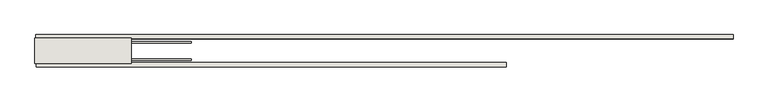
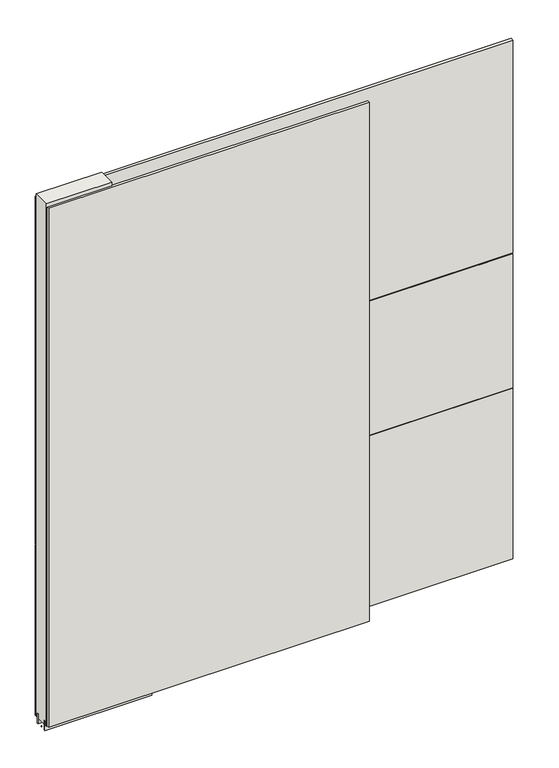
"""IFC4 building model written with IfcOpenShell, lengths in millimetres: wall geometry."""

from ifc_helpers import new_model, si_unit, frame, origin, place, context, project, spatial, polyline, outline, extrude, source, transform, mapped, element, save


def wall_bcd56bea(model_context):
    return source(origin(), model_context, "Body", "SweptSolid", [
        extrude(outline(polyline([(68762.8614072, -39414.4636398), (68765.4014072, -39414.4636398), (68765.4014072, -39417.0036398), (68762.8614072, -39417.0036398), (68762.8614072, -39414.4636398)])), frame((0.0, 0.0, 4419.6), z_axis=(0.0, 0.0, 1.0), x_axis=(1.0, 0.0, 0.0)), (0.0, 0.0, 1.0), 2.54),
        extrude(outline(polyline([(70255.331168, -39466.5336398), (68767.3272352, -39466.5336398), (68767.3272352, -39453.8336398), (70255.331168, -39453.8336398), (70255.331168, -39466.5336398)])), frame((0.0, 0.0, 4445.0), z_axis=(0.0, 0.0, 1.0), x_axis=(1.0, 0.0, 0.0)), (0.0, 0.0, 1.0), 2545.0498756),
        extrude(outline(polyline([(68764.8612508, -39364.9336398), (70973.0651148, -39364.9336398), (70973.0651148, -39377.6336398), (68764.8612508, -39377.6336398), (68764.8612508, -39364.9336398)])), frame((0.0, 0.0, 5945.6000722), z_axis=(0.0, 0.0, 1.0), x_axis=(1.0, 0.0, 0.0)), (0.0, 0.0, 1.0), 1044.449905),
        extrude(outline(polyline([(68764.8612508, -39364.9336398), (70973.0651148, -39364.9336398), (70973.0651148, -39377.6336398), (68764.8612508, -39377.6336398), (68764.8612508, -39364.9336398)])), frame((0.0, 0.0, 5285.1999706), z_axis=(0.0, 0.0, 1.0), x_axis=(1.0, 0.0, 0.0)), (0.0, 0.0, 1.0), 656.4000588),
        extrude(outline(polyline([(68764.8612508, -39364.9336398), (70973.0651148, -39364.9336398), (70973.0651148, -39377.6336398), (68764.8612508, -39377.6336398), (68764.8612508, -39364.9336398)])), frame((0.0, 0.0, 4445.0), z_axis=(0.0, 0.0, 1.0), x_axis=(1.0, 0.0, 0.0)), (0.0, 0.0, 1.0), 836.200004),
        extrude(outline(polyline([(68762.853965, -39440.8142856), (69258.153965, -39440.8142856), (69258.153965, -39445.8961398), (68762.853965, -39445.8961398), (68762.853965, -39440.8142856)])), frame((0.0, 0.0, 4418.6602), z_axis=(0.0, 0.0, 1.0), x_axis=(1.0, 0.0, 0.0)), (0.0, 0.0, 1.0), 47.625),
        extrude(outline(polyline([(68762.853965, -39440.8142856), (69258.153965, -39440.8142856), (69258.153965, -39445.8961398), (68762.853965, -39445.8961398), (68762.853965, -39440.8142856)])), frame((0.0, 0.0, 4418.6602), z_axis=(0.0, 0.0, 1.0), x_axis=(1.0, 0.0, 0.0)), (0.0, 0.0, 1.0), 47.625),
        extrude(outline(polyline([(69258.153965, -39390.6498952), (68762.853965, -39390.6498952), (68762.853965, -39385.5711398), (69258.153965, -39385.5711398), (69258.153965, -39390.6498952)])), frame((0.0, 0.0, 4418.6602), z_axis=(0.0, 0.0, 1.0), x_axis=(1.0, 0.0, 0.0)), (0.0, 0.0, 1.0), 47.625),
        extrude(outline(polyline([(69258.153965, -39390.6498952), (68762.853965, -39390.6498952), (68762.853965, -39385.5711398), (69258.153965, -39385.5711398), (69258.153965, -39390.6498952)])), frame((0.0, 0.0, 4418.6602), z_axis=(0.0, 0.0, 1.0), x_axis=(1.0, 0.0, 0.0)), (0.0, 0.0, 1.0), 47.625),
        extrude(outline(polyline([(68762.853965, -39456.3854254), (68762.853965, -39375.10667), (69067.653965, -39375.10667), (69067.653965, -39456.3854254), (68762.853965, -39456.3854254)])), frame((0.0, 0.0, 4445.0), z_axis=(0.0, 0.0, 1.0), x_axis=(1.0, 0.0, 0.0)), (0.0, 0.0, 1.0), 2562.4536762),
    ])


if __name__ == "__main__":
    model = new_model("IFC4")
    model_context = context("Model", 3, world=origin())
    ifc_project = project(units=[si_unit("LENGTHUNIT", "METRE", prefix="MILLI")], contexts=[model_context])
    site = spatial("IfcSite", under=ifc_project)
    building = spatial("IfcBuilding", under=site)
    placement = place(None, origin())
    wall_shape = wall_bcd56bea(model_context)
    element("IfcWall", 1, at=placement, inside=building, context=model_context, shape_type="MappedRepresentation", body=[
        mapped(wall_shape, transform((0.0, 0.0, 0.0), x_axis=(1.0, 0.0, 0.0), y_axis=(0.0, 1.0, 0.0), z_axis=(0.0, 0.0, 1.0))),
    ])
    save(model, "model.ifc")
